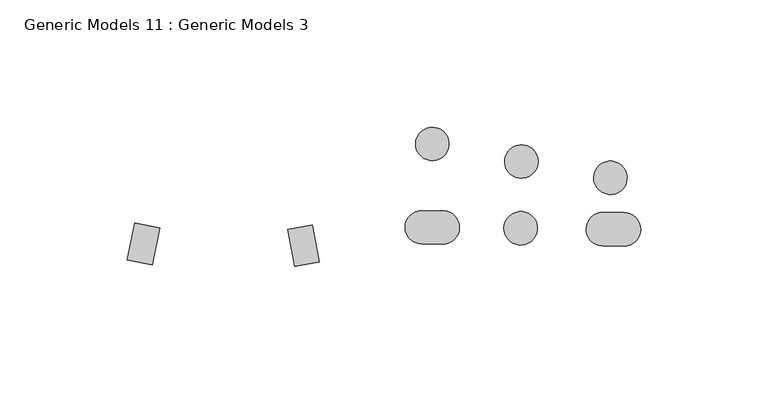
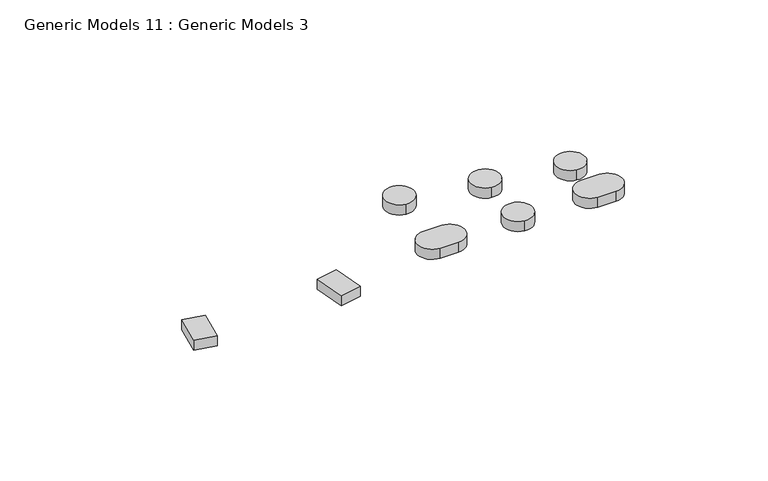
"""IFC4 building model written with IfcOpenShell, lengths in millimetres: proxy geometry, Generic Models 11 : Generic Models 3."""

from ifc_helpers import new_model, si_unit, point, frame, frame_2d, origin, place, context, project, spatial, polyline, circle_curve, trimmed, segment, composite_curve, outline, extrude, source, transform, mapped, element, save


def generic_models_11_generic_models_3_000ff97e(model_context):
    return source(origin(), model_context, "Body", "SweptSolid", [
        extrude(outline(polyline([(31717.1212818, -15559.4306499), (31726.7644908, -15561.3843766), (31723.8358648, -15575.8394957), (31714.1926558, -15573.885769), (31717.1212818, -15559.4306499)])), frame((0.0, 0.0, 858.220023), z_axis=(0.0, 0.0, 1.0), x_axis=(1.0, 0.0, 0.0)), (0.0, 0.0, 1.0), 4.891176),
        extrude(outline(polyline([(31786.7483289, -15560.1291143), (31789.3863814, -15574.6400755), (31779.7059194, -15576.3999566), (31777.0678669, -15561.8889954), (31786.7483289, -15560.1291143)])), frame((0.0, 0.0, 858.220023), z_axis=(0.0, 0.0, 1.0), x_axis=(1.0, 0.0, 0.0)), (0.0, 0.0, 1.0), 4.891176),
        extrude(outline(composite_curve([segment(trimmed(circle_curve(frame_2d((31833.7597464, -15528.3234206)), 6.5593835), [point((31833.0301283, -15534.8420991))], [point((31834.4893644, -15521.8047422))], False, "CARTESIAN"), True, "CONTINUOUS"), segment(trimmed(circle_curve(frame_2d((31833.7597464, -15528.3234206)), 6.5593835), [point((31834.4893644, -15521.8047422))], [point((31833.0301283, -15534.8420991))], False, "CARTESIAN"), True, "CONTINUOUS")], self_intersect=False)), frame((0.0, 0.0, 858.220023), z_axis=(0.0, 0.0, 1.0), x_axis=(1.0, 0.0, 0.0)), (0.0, 0.0, 1.0), 4.891176),
        extrude(outline(composite_curve([segment(trimmed(circle_curve(frame_2d((31829.6049896, -15561.0584033)), 6.5593835), [point((31829.5391924, -15567.6174568))], [point((31829.6707868, -15554.4993499))], False, "CARTESIAN"), True, "CONTINUOUS"), segment(polyline([(31829.6707868, -15554.4993499), (31837.8697467, -15554.5815978)]), True, "CONTINUOUS"), segment(trimmed(circle_curve(frame_2d((31837.8039495, -15561.1406513)), 6.5593835), [point((31837.8697467, -15554.5815978))], [point((31837.7381523, -15567.6997047))], False, "CARTESIAN"), True, "CONTINUOUS"), segment(polyline([(31837.7381523, -15567.6997047), (31829.5391924, -15567.6174568)]), True, "CONTINUOUS")], self_intersect=False)), frame((0.0, 0.0, 858.220023), z_axis=(0.0, 0.0, 1.0), x_axis=(1.0, 0.0, 0.0)), (0.0, 0.0, 1.0), 4.891176),
        extrude(outline(composite_curve([segment(trimmed(circle_curve(frame_2d((31868.6760312, -15535.2290159)), 6.5593835), [point((31867.9464132, -15541.7476944))], [point((31869.4056493, -15528.7103374))], False, "CARTESIAN"), True, "CONTINUOUS"), segment(trimmed(circle_curve(frame_2d((31868.6760312, -15535.2290159)), 6.5593835), [point((31869.4056493, -15528.7103374))], [point((31867.9464132, -15541.7476944))], False, "CARTESIAN"), True, "CONTINUOUS")], self_intersect=False)), frame((0.0, 0.0, 858.220023), z_axis=(0.0, 0.0, 1.0), x_axis=(1.0, 0.0, 0.0)), (0.0, 0.0, 1.0), 4.891176),
        extrude(outline(composite_curve([segment(trimmed(circle_curve(frame_2d((31868.4130182, -15561.4477064)), 6.5593835), [point((31867.6834001, -15567.9663849))], [point((31869.1426362, -15554.9290279))], False, "CARTESIAN"), True, "CONTINUOUS"), segment(trimmed(circle_curve(frame_2d((31868.4130182, -15561.4477064)), 6.5593835), [point((31869.1426362, -15554.9290279))], [point((31867.6834001, -15567.9663849))], False, "CARTESIAN"), True, "CONTINUOUS")], self_intersect=False)), frame((0.0, 0.0, 858.220023), z_axis=(0.0, 0.0, 1.0), x_axis=(1.0, 0.0, 0.0)), (0.0, 0.0, 1.0), 4.891176),
        extrude(outline(composite_curve([segment(trimmed(circle_curve(frame_2d((31903.5977959, -15541.5883481)), 6.5593835), [point((31902.8681778, -15548.1070266))], [point((31904.327414, -15535.0696696))], False, "CARTESIAN"), True, "CONTINUOUS"), segment(trimmed(circle_curve(frame_2d((31903.5977959, -15541.5883481)), 6.5593835), [point((31904.327414, -15535.0696696))], [point((31902.8681778, -15548.1070266))], False, "CARTESIAN"), True, "CONTINUOUS")], self_intersect=False)), frame((0.0, 0.0, 858.220023), z_axis=(0.0, 0.0, 1.0), x_axis=(1.0, 0.0, 0.0)), (0.0, 0.0, 1.0), 4.891176),
        extrude(outline(composite_curve([segment(trimmed(circle_curve(frame_2d((31900.6621078, -15561.7712134)), 6.5593835), [point((31900.5963106, -15568.3302669))], [point((31900.727905, -15555.21216))], False, "CARTESIAN"), True, "CONTINUOUS"), segment(polyline([(31900.727905, -15555.21216), (31908.9268649, -15555.2944079)]), True, "CONTINUOUS"), segment(trimmed(circle_curve(frame_2d((31908.8610677, -15561.8534614)), 6.5593835), [point((31908.9268649, -15555.2944079))], [point((31908.7952705, -15568.4125148))], False, "CARTESIAN"), True, "CONTINUOUS"), segment(polyline([(31908.7952705, -15568.4125148), (31900.5963106, -15568.3302669)]), True, "CONTINUOUS")], self_intersect=False)), frame((0.0, 0.0, 858.220023), z_axis=(0.0, 0.0, 1.0), x_axis=(1.0, 0.0, 0.0)), (0.0, 0.0, 1.0), 4.891176),
    ])


if __name__ == "__main__":
    model = new_model("IFC4")
    model_context = context("Model", 3, world=origin())
    ifc_project = project(units=[si_unit("LENGTHUNIT", "METRE", prefix="MILLI")], contexts=[model_context])
    site = spatial("IfcSite", under=ifc_project)
    building = spatial("IfcBuilding", under=site)
    placement = place(None, origin())
    generic_models_11_generic_models_3_shape = generic_models_11_generic_models_3_000ff97e(model_context)
    element("IfcBuildingElementProxy", 1, Name="Generic Models 11 : Generic Models 3", ObjectType="Generic Models 11 : Generic Models 3", at=placement, inside=building, context=model_context, shape_type="MappedRepresentation", body=[
        mapped(generic_models_11_generic_models_3_shape, transform((0.0, 0.0, 0.0), x_axis=(1.0, 0.0, 0.0), y_axis=(0.0, 1.0, 0.0), z_axis=(0.0, 0.0, 1.0))),
    ])
    save(model, "model.ifc")
